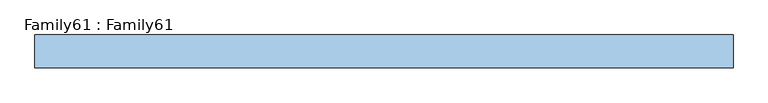
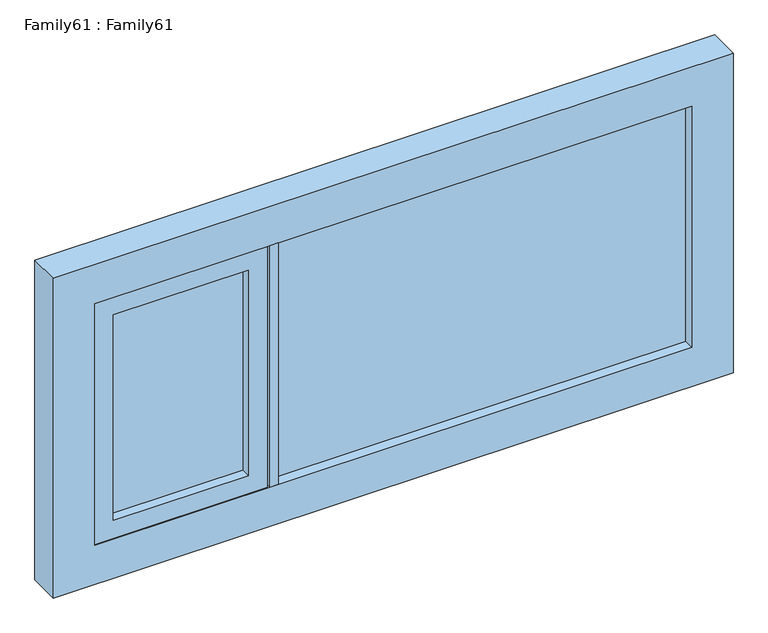
"""IFC4 building model written with IfcOpenShell, lengths in millimetres: window geometry, Family61 : Family61."""

from ifc_helpers import new_model, si_unit, frame, origin, place, context, project, spatial, polyline, outline, extrude, source, transform, mapped, element, save


def family61_family61_5c06a094(model_context):
    return source(origin(), model_context, "Body", "SweptSolid", [
        extrude(outline(polyline([(786.0, 14.0), (786.0, 10.0), (-302.5054004, 10.0), (-302.5054004, 14.0), (786.0, 14.0)])), frame((0.0, 0.0, 909.0), z_axis=(0.0, 0.0, 1.0), x_axis=(1.0, 0.0, 0.0)), (0.0, 0.0, 1.0), 672.0),
        extrude(outline(polyline([(-302.5054004, -10.0), (786.0, -10.0), (786.0, -14.0), (-302.5054004, -14.0), (-302.5054004, -10.0)])), frame((0.0, 0.0, 909.0), z_axis=(0.0, 0.0, 1.0), x_axis=(1.0, 0.0, 0.0)), (0.0, 0.0, 1.0), 672.0),
        extrude(outline(polyline([(-380.0, 14.0), (-380.0, 10.0), (-736.0, 10.0), (-736.0, 14.0), (-380.0, 14.0)])), frame((0.0, 0.0, 959.0), z_axis=(0.0, 0.0, 1.0), x_axis=(1.0, 0.0, 0.0)), (0.0, 0.0, 1.0), 572.0),
        extrude(outline(polyline([(-380.0, -10.0), (-380.0, -14.0), (-736.0, -14.0), (-736.0, -10.0), (-380.0, -10.0)])), frame((0.0, 0.0, 959.0), z_axis=(0.0, 0.0, 1.0), x_axis=(1.0, 0.0, 0.0)), (0.0, 0.0, 1.0), 572.0),
        extrude(outline(polyline([(-302.5054004, -42.0), (-324.5903909, -42.0), (-324.5903909, 42.0), (-302.5054004, 42.0), (-302.5054004, -42.0)])), frame((0.0, 0.0, 909.0), z_axis=(0.0, 0.0, 1.0), x_axis=(1.0, 0.0, 0.0)), (0.0, 0.0, 1.0), 672.0),
        extrude(outline(polyline([(1581.0, -330.0), (1581.0, -786.0), (909.0, -786.0), (909.0, -330.0), (1581.0, -330.0)]), holes=[polyline([(1531.0, -380.0), (959.0, -380.0), (959.0, -736.0), (1531.0, -736.0), (1531.0, -380.0)])]), frame((0.0, -40.0, 0.0), z_axis=(0.0, 1.0, 0.0), x_axis=(0.0, 0.0, 1.0)), (0.0, 0.0, 1.0), 80.0),
        extrude(outline(polyline([(1690.0, 895.0), (1690.0, -895.0), (800.0, -895.0), (800.0, 895.0), (1690.0, 895.0)]), holes=[polyline([(909.0, 786.0), (909.0, -786.0), (1581.0, -786.0), (1581.0, 786.0), (909.0, 786.0)])]), frame((0.0, -42.0, 0.0), z_axis=(0.0, 1.0, 0.0), x_axis=(0.0, 0.0, 1.0)), (0.0, 0.0, 1.0), 84.0),
    ])


if __name__ == "__main__":
    model = new_model("IFC4")
    model_context = context("Model", 3, world=origin())
    ifc_project = project(units=[si_unit("LENGTHUNIT", "METRE", prefix="MILLI")], contexts=[model_context])
    site = spatial("IfcSite", under=ifc_project)
    building = spatial("IfcBuilding", under=site)
    placement = place(None, origin())
    family61_family61_shape = family61_family61_5c06a094(model_context)
    element("IfcWindow", 1, ObjectType="Family61 : Family61", at=placement, inside=building, context=model_context, shape_type="MappedRepresentation", body=[
        mapped(family61_family61_shape, transform((0.0, 0.0, 0.0), x_axis=(1.0, 0.0, 0.0), y_axis=(0.0, 1.0, 0.0), z_axis=(0.0, 0.0, 1.0))),
    ])
    save(model, "model.ifc")
